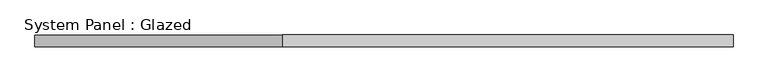
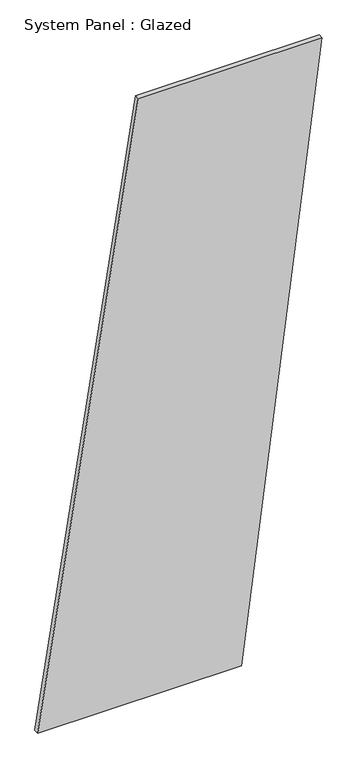
"""IFC4 building model written with IfcOpenShell, lengths in millimetres: plate geometry, System Panel : Glazed."""

from ifc_helpers import new_model, si_unit, frame, origin, place, context, project, spatial, polyline, outline, extrude, source, transform, mapped, element, save


def system_panel_glazed_4a48d264(model_context):
    return source(origin(), model_context, "Body", "SweptSolid", [
        extrude(outline(polyline([(0.0, -747.4414467), (0.0, 324.1543446), (3337.5895065, 747.4414467), (3337.5895065, -218.3325691), (0.0, -747.4414467)])), frame((0.0, -49.5, 0.0), z_axis=(0.0, 1.0, 0.0), x_axis=(0.0, 0.0, 1.0)), (0.0, 0.0, 1.0), 25.0),
    ])


if __name__ == "__main__":
    model = new_model("IFC4")
    model_context = context("Model", 3, world=origin())
    ifc_project = project(units=[si_unit("LENGTHUNIT", "METRE", prefix="MILLI")], contexts=[model_context])
    site = spatial("IfcSite", under=ifc_project)
    building = spatial("IfcBuilding", under=site)
    placement = place(None, origin())
    system_panel_glazed_shape = system_panel_glazed_4a48d264(model_context)
    element("IfcPlate", 1, ObjectType="System Panel : Glazed", at=placement, inside=building, context=model_context, shape_type="MappedRepresentation", body=[
        mapped(system_panel_glazed_shape, transform((0.0, 0.0, 0.0), x_axis=(1.0, 0.0, 0.0), y_axis=(0.0, 1.0, 0.0), z_axis=(0.0, 0.0, 1.0))),
    ])
    save(model, "model.ifc")
